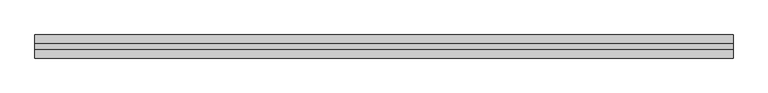
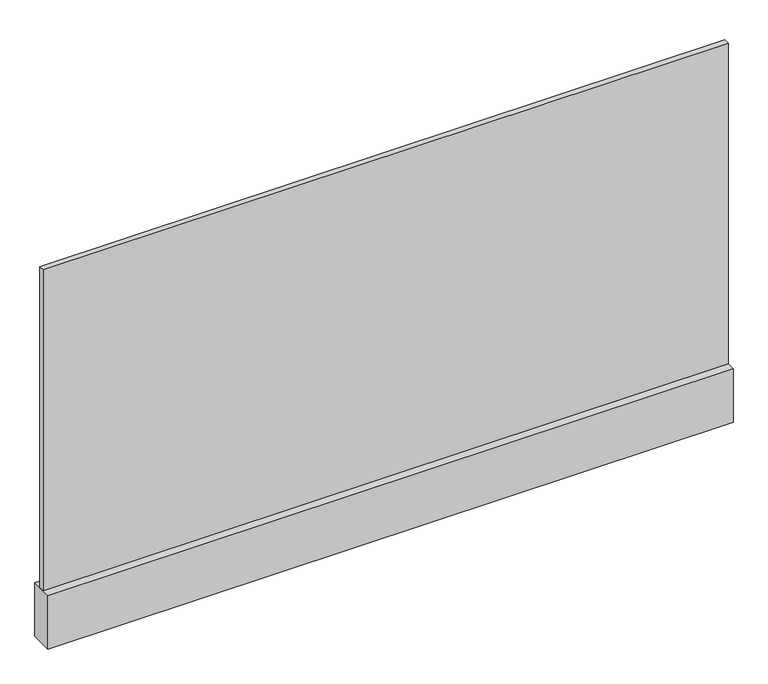
"""IFC4 building model written with IfcOpenShell, lengths in millimetres: plate geometry."""

from ifc_helpers import new_model, si_unit, frame, origin, origin_with_axes, place, context, project, spatial, polyline, outline, extrude, source, transform, mapped, element, save


def plate_90bea699(model_context):
    return source(origin(), model_context, "Body", "SweptSolid", [
        extrude(outline(polyline([(-605.9309555, -5.0), (-605.9309555, 5.0), (605.9309555, 5.0), (605.9309555, -5.0), (-605.9309555, -5.0)])), frame((0.0, 0.0, 100.0), z_axis=(0.0, 0.0, 1.0), x_axis=(1.0, 0.0, 0.0)), (0.0, 0.0, 1.0), 600.0),
        extrude(outline(polyline([(-605.9309555, -20.0), (-605.9309555, 20.0), (605.9309555, 20.0), (605.9309555, -20.0), (-605.9309555, -20.0)])), origin_with_axes(), (0.0, 0.0, 1.0), 100.0),
    ])


if __name__ == "__main__":
    model = new_model("IFC4")
    model_context = context("Model", 3, world=origin())
    ifc_project = project(units=[si_unit("LENGTHUNIT", "METRE", prefix="MILLI")], contexts=[model_context])
    site = spatial("IfcSite", under=ifc_project)
    building = spatial("IfcBuilding", under=site)
    placement = place(None, origin())
    plate_shape = plate_90bea699(model_context)
    element("IfcPlate", 1, at=placement, inside=building, context=model_context, shape_type="MappedRepresentation", body=[
        mapped(plate_shape, transform((0.0, 0.0, 0.0), x_axis=(1.0, 0.0, 0.0), y_axis=(0.0, 1.0, 0.0), z_axis=(0.0, 0.0, 1.0))),
    ])
    save(model, "model.ifc")
